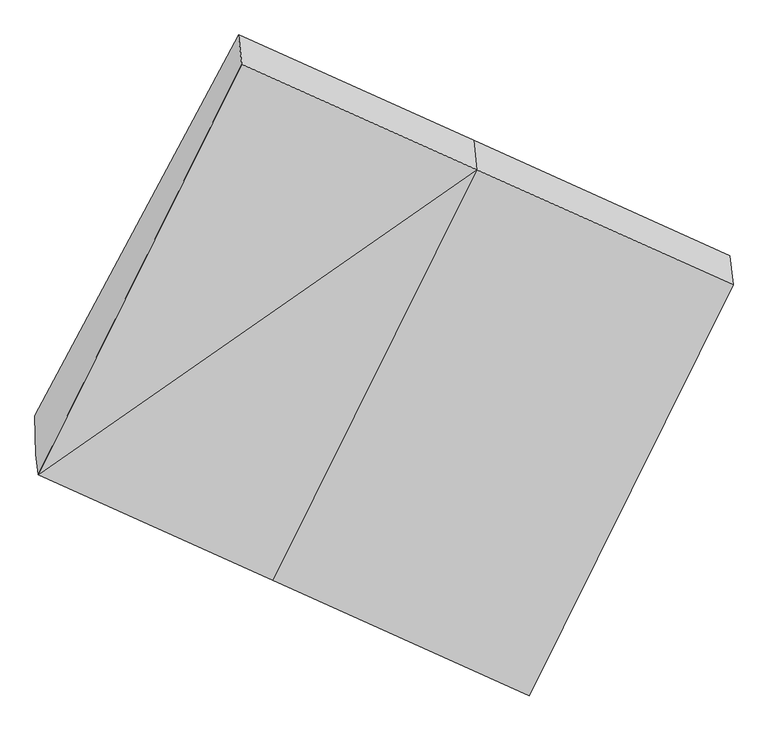
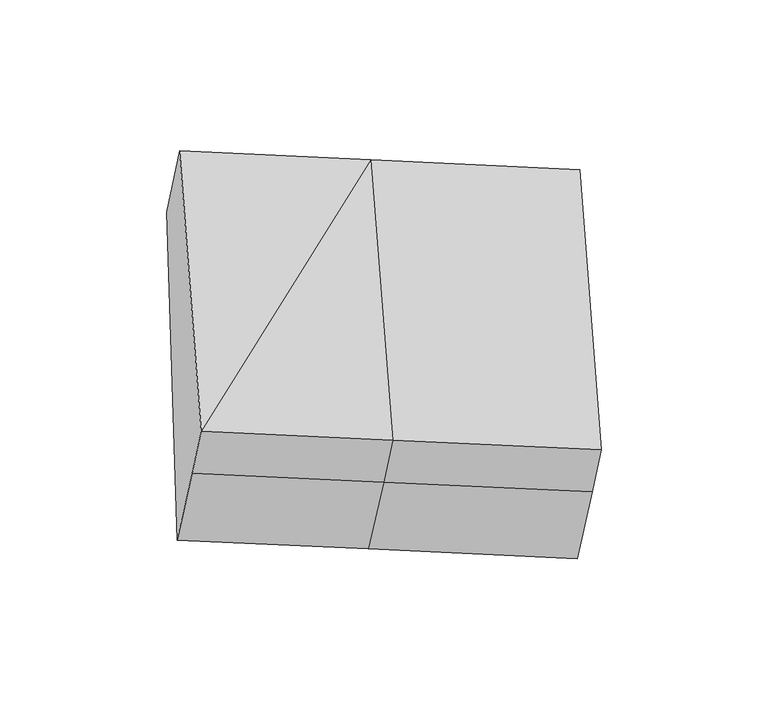
"""IFC4 building model written with IfcOpenShell, lengths in millimetres: proxy geometry."""

from ifc_helpers import new_model, si_unit, origin, place, context, project, spatial, faceted_brep, source, transform, mapped, element, save


def generic_models_ff474195(model_context):
    return source(origin(), model_context, "Body", "Brep", [
        faceted_brep([(-791.6377476, -1768.7914919, 2107.8638295), (-797.2697917, -1718.0102953, 1904.5207694), (-200.0619667, -1986.2728073, 1820.9861154), (-194.4299227, -2037.0540039, 2024.3291756), (-273.7903571, -724.9850909, 2457.9985966), (323.4174679, -993.2476029, 2374.4639427), (-282.0366055, -650.6329816, 2160.2705704), (315.1712195, -918.8954936, 2076.7359165), (-799.5349953, -1618.0215554, 1567.2232943), (-202.3271704, -1886.2840674, 1483.6886403), (966.670665, -1211.5455067, 1985.6072031), (974.9169133, -1285.897616, 2283.3352293), (457.0695228, -2329.704017, 1933.2004622), (451.4374787, -2278.9228204, 1729.857402), (449.1722751, -2178.9340805, 1392.5599269)], [[[0, 1, 2, 3]], [[4, 0, 5]], [[6, 4, 5, 7]], [[8, 6, 7, 9]], [[1, 8, 9, 2]], [[10, 11, 12, 13, 14]], [[1, 0, 4, 6, 8]], [[3, 5, 0]], [[7, 5, 11, 10]], [[5, 3, 12, 11]], [[3, 2, 13, 12]], [[2, 9, 14, 13]], [[9, 7, 10, 14]]]),
    ])


if __name__ == "__main__":
    model = new_model("IFC4")
    model_context = context("Model", 3, world=origin())
    ifc_project = project(units=[si_unit("LENGTHUNIT", "METRE", prefix="MILLI")], contexts=[model_context])
    site = spatial("IfcSite", under=ifc_project)
    building = spatial("IfcBuilding", under=site)
    placement = place(None, origin())
    generic_models_shape = generic_models_ff474195(model_context)
    element("IfcBuildingElementProxy", 1, Name="Generic Models", at=placement, inside=building, context=model_context, shape_type="MappedRepresentation", body=[
        mapped(generic_models_shape, transform((0.0, 0.0, 0.0), x_axis=(1.0, 0.0, 0.0), y_axis=(0.0, 1.0, 0.0), z_axis=(0.0, 0.0, 1.0))),
    ])
    save(model, "model.ifc")
